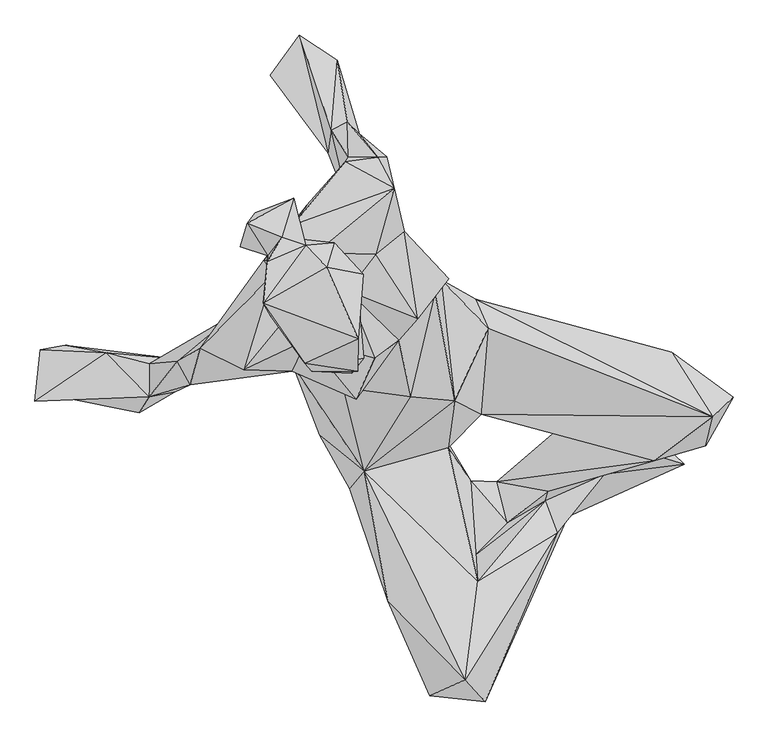
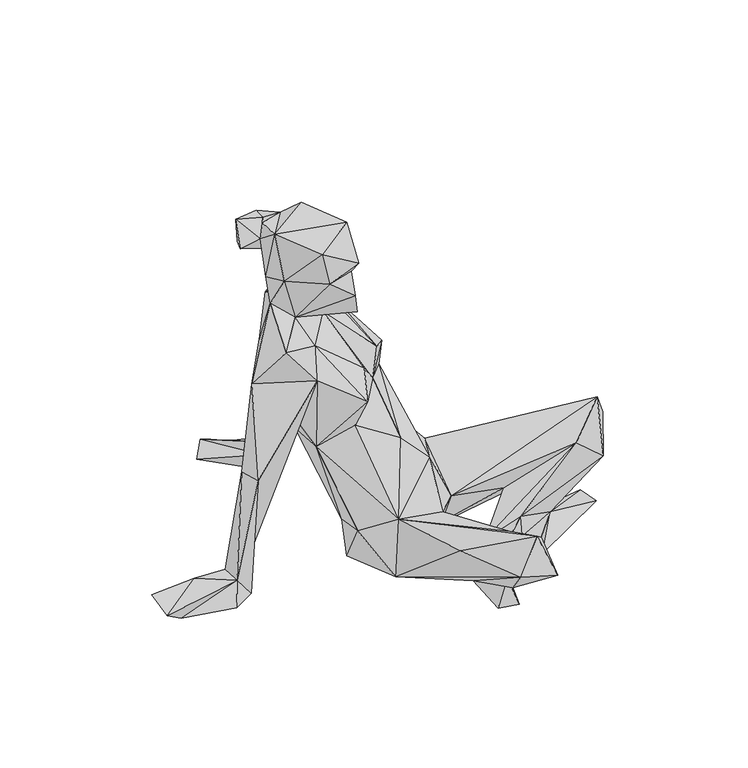
"""IFC4 building model written with IfcOpenShell, lengths in millimetres: geographic element geometry."""

from ifc_helpers import new_model, si_unit, origin, place, context, project, spatial, faceted_brep, source, transform, mapped, element, save


def geographic_element_a124c430(model_context):
    return source(origin(), model_context, "Body", "Brep", [
        faceted_brep([(-200.7680511, 114.9147288, 289.5180845), (-46.0071186, 140.015362, 142.5736529), (-149.3064147, 10.5150862, 103.7554132), (-158.9337866, 165.9090051, 284.4859326), (25.4961994, 163.659809, 251.7382769), (-55.0615706, 238.2744819, 311.1969194), (77.3629164, 134.25052, 135.6051398), (0.5294874, 145.0071317, 21.5940603), (16.2170173, 142.55373, 361.6478398), (45.9356563, -18.8024526, 210.8140413), (96.4604977, 90.8226956, 174.4329163), (372.6257934, 54.489828, 169.3391332), (434.8113781, -42.6505315, 242.5615012), (85.7970108, -39.2045337, 110.6089265), (424.1856284, -86.5797241, 123.864232), (465.1638212, -13.481817, 176.1213668), (346.5706365, -108.9212806, 196.6092562), (325.9454925, -24.2252738, 79.8407709), (122.105962, 65.5968852, 5.9293312), (186.2471379, -154.77526, 94.301461), (271.1321082, -129.5708253, 60.2539361), (197.5536173, -64.7931016, 108.0983417), (109.3322174, -140.6203491, 53.0773283), (124.6904343, -202.6070331, 75.2427792), (181.9662131, -169.0310815, 53.9438122), (74.5459711, -253.0434994, 82.3450227), (69.6577868, -139.1699595, 78.0861592), (25.7754788, -66.9390998, 26.9631144), (31.1146505, -224.7724654, 26.3832823), (80.0373768, -290.6840706, 175.361959), (35.6465685, -89.199147, 118.8341588), (-90.5578796, -124.8732492, 165.0554964), (199.9768292, -217.0834813, 73.6262119), (61.5277245, -438.7094324, 258.8219909), (46.9022313, -22.9634267, 32.8271906), (213.528407, -89.567392, 38.7221123), (358.8737801, -104.6943652, 71.0780686), (391.3332474, -114.4794286, 37.5791374), (215.7024416, -193.4282011, 12.0675292), (91.5654514, -471.9265045, 169.577209), (-55.1987954, -320.0378676, 190.3077936), (8.3286938, -462.9542174, 188.0602962), (28.5056528, -393.787558, 111.8699447), (-112.5869439, -151.2820702, 42.70276), (-89.4436378, -50.0926108, 7.7785052), (-157.4088018, -70.4504988, 126.1711552), (-160.567982, -29.736783, 38.9379742), (-197.488842, 33.4048155, 290.7437944), (-242.4453616, 193.3151162, 483.0884278), (-250.6826787, 58.7141618, 390.1399624), (-288.7377405, 110.0369529, 413.0097875), (-177.4144151, 276.080903, 463.4337666), (-112.7679558, 272.3410692, 360.2145568), (-197.3810768, 246.5129613, 556.9336346), (-119.4798634, 341.4665418, 503.7482915), (-45.4705277, 301.3815843, 571.1434413), (-164.1386131, 204.7317301, 597.4704549), (-203.8069789, 189.2880178, 592.781894), (-69.9870503, 348.5007839, 350.2418952), (-114.4380555, 348.4182315, 274.6393349), (-73.4411767, 202.2372161, 536.4124709), (-30.4991655, 236.5793259, 484.261477), (-98.2281405, 384.0374601, 4.8307399), (-116.1741004, 401.6074191, 65.0324441), (-56.9306121, 349.1281228, 229.9506338), (-140.3911841, 389.2490816, 68.1931145), (-131.583689, 494.6735142, 4.8307399), (-232.2346688, 472.2794534, 4.8307399), (-116.0821528, 355.5271284, 4.8307399), (-66.5099985, 262.6040843, 369.4951787), (-145.2003252, 354.3309824, 58.0896169), (-188.6632121, 532.6884919, 4.8307399), (36.4568415, 165.5102352, 399.7963916), (-9.9617046, 105.2950012, 437.8485924), (-39.0374395, 72.8001213, 387.0515179), (-20.6152925, -12.2931188, 279.2831029), (-122.1137553, 0.7183749, 339.8057478), (-102.9566439, -16.5839193, 402.4395893), (-199.3729, 25.7045568, 463.9989676), (-176.7964639, 73.0857393, 517.0065697), (-74.791505, 45.2675367, 440.2566796), (-115.5535117, 146.9566804, 536.9599991), (-272.5760605, 28.0033794, 560.5140259), (-202.9283022, 112.6570837, 575.0859905), (-228.5446645, 171.3936904, 584.0988683), (-338.0000848, 60.413032, 484.128648), (-231.3600601, 109.0465175, 678.745619), (-225.9089174, 194.7723156, 636.1612003), (-169.6792522, 26.0847208, 699.0136418), (-180.5998363, 38.1049807, 771.1920643), (-243.2209819, 127.9624238, 790.3922103), (-109.6136109, 23.1798009, 651.0255852), (-108.2416759, 42.0509795, 701.5021357), (-100.2006444, 26.0665227, 729.2228847), (-99.7537362, 75.0487587, 803.087463), (-91.7451668, 45.6282454, 590.1917146), (-101.6998353, 164.0720049, 673.9071524), (-124.468705, 120.8520144, 592.1099709), (-135.8930899, 219.1900137, 698.9955816), (-91.9076267, 172.2060272, 725.8975416), (-205.3903912, 227.1067621, 681.2383448), (-236.0980184, 199.7276222, 733.1636457), (-236.5365297, 191.1063916, 779.8297905), (-214.7979859, 227.7246536, 762.9470135), (-277.3213054, 213.2769797, 714.2525227), (-267.2185567, 248.9713102, 763.7751604), (-147.3082584, 182.750342, 804.83072), (-179.0329196, 215.5019912, 770.8587551), (-196.7394775, 286.2149144, 739.6925), (-255.0609378, 264.4032207, 693.7891159), (-414.3905588, 37.2476126, 52.2500494), (-372.3654999, 40.7935339, 283.8610376), (-376.920308, 44.4287093, 4.8307399), (-352.9276208, 5.5428864, 276.3630416), (-414.6238514, -12.6057852, 55.4097921), (-479.3549419, 53.9887764, 42.3694583), (-586.9997071, -19.4747706, 28.9359611), (-549.5294861, -12.2936357, 4.8307399), (-429.527337, -36.9392033, 4.8307399), (-377.1536304, -5.4246517, 4.8307399), (-541.5660076, 65.4201872, 4.8307399), (-579.0362883, 58.2390867, 32.3278118), (117.3873306, -204.7855829, 23.0128054), (37.8347407, -318.3320423, 10.219138), (67.2875485, -303.2894097, 69.3580947), (181.9662131, -169.0310815, 53.9438122), (360.0197092, -83.9212452, 7.1573424), (115.7559068, -218.5737464, 65.6664959), (72.461634, -345.3610497, 24.9143612)], [[[0, 1, 2]], [[3, 1, 0]], [[4, 1, 5]], [[6, 7, 1]], [[7, 2, 1]], [[3, 5, 1]], [[4, 6, 1]], [[5, 8, 4]], [[9, 4, 8]], [[9, 10, 4]], [[10, 6, 4]], [[11, 7, 6]], [[6, 12, 11]], [[10, 12, 6]], [[13, 12, 10]], [[13, 10, 9]], [[12, 14, 15]], [[12, 13, 16]], [[14, 12, 16]], [[12, 15, 11]], [[17, 18, 11]], [[7, 11, 18]], [[15, 17, 11]], [[15, 14, 17]], [[14, 16, 19]], [[20, 14, 19]], [[20, 17, 14]], [[13, 21, 16]], [[22, 19, 16]], [[21, 22, 16]], [[23, 19, 22]], [[20, 19, 24]], [[23, 24, 19]], [[25, 23, 26]], [[22, 26, 23]], [[25, 24, 23]], [[27, 26, 28]], [[29, 26, 30]], [[26, 29, 25]], [[26, 27, 30]], [[28, 26, 22]], [[24, 25, 29]], [[30, 31, 29]], [[29, 32, 24]], [[29, 33, 32]], [[33, 29, 31]], [[30, 27, 13]], [[9, 31, 30]], [[9, 30, 13]], [[34, 21, 13]], [[27, 34, 13]], [[17, 21, 34]], [[17, 35, 21]], [[35, 22, 21]], [[17, 34, 18]], [[7, 18, 34]], [[34, 27, 7]], [[20, 35, 17]], [[32, 20, 24]], [[35, 20, 36]], [[37, 20, 38]], [[20, 32, 38]], [[20, 37, 36]], [[39, 32, 33]], [[39, 38, 32]], [[40, 33, 31]], [[33, 41, 39]], [[41, 33, 40]], [[38, 39, 42]], [[39, 41, 42]], [[28, 41, 43]], [[42, 41, 28]], [[40, 43, 41]], [[40, 31, 43]], [[28, 43, 44]], [[45, 46, 43]], [[31, 45, 43]], [[43, 46, 44]], [[7, 27, 44]], [[27, 28, 44]], [[7, 44, 46]], [[7, 46, 2]], [[46, 45, 2]], [[45, 47, 2]], [[45, 31, 47]], [[0, 2, 47]], [[3, 0, 48]], [[0, 47, 49]], [[50, 48, 0]], [[49, 50, 0]], [[48, 51, 3]], [[3, 51, 52]], [[3, 52, 5]], [[48, 53, 51]], [[53, 54, 51]], [[54, 52, 51]], [[55, 54, 53]], [[56, 55, 53]], [[57, 53, 48]], [[53, 57, 56]], [[54, 55, 58]], [[58, 59, 54]], [[52, 54, 59]], [[56, 60, 55]], [[55, 60, 61]], [[61, 58, 55]], [[58, 62, 63]], [[63, 59, 58]], [[58, 61, 64]], [[62, 58, 64]], [[65, 52, 59]], [[59, 63, 65]], [[66, 63, 62]], [[66, 65, 63]], [[62, 67, 66]], [[64, 68, 62]], [[67, 62, 68]], [[69, 64, 61]], [[68, 64, 69]], [[69, 70, 68]], [[67, 68, 70]], [[70, 71, 67]], [[66, 67, 71]], [[65, 66, 71]], [[71, 70, 65]], [[52, 65, 70]], [[70, 69, 52]], [[69, 5, 52]], [[69, 61, 5]], [[5, 61, 72]], [[5, 72, 8]], [[61, 73, 72]], [[73, 61, 60]], [[74, 72, 73]], [[74, 8, 72]], [[75, 9, 8]], [[8, 74, 75]], [[31, 9, 75]], [[76, 31, 75]], [[75, 74, 76]], [[47, 31, 76]], [[77, 47, 76]], [[77, 76, 74]], [[49, 47, 78]], [[78, 47, 77]], [[79, 77, 80]], [[79, 78, 77]], [[74, 80, 77]], [[81, 79, 80]], [[81, 80, 74]], [[78, 79, 82]], [[83, 79, 81]], [[83, 82, 79]], [[82, 84, 85]], [[85, 78, 82]], [[82, 83, 84]], [[83, 86, 84]], [[48, 85, 84]], [[86, 87, 84]], [[48, 84, 57]], [[57, 84, 87]], [[83, 88, 86]], [[86, 88, 89]], [[89, 90, 86]], [[87, 86, 90]], [[88, 83, 91]], [[88, 91, 92]], [[93, 89, 88]], [[92, 93, 88]], [[94, 90, 89]], [[94, 89, 93]], [[92, 94, 93]], [[92, 95, 96]], [[96, 94, 92]], [[91, 95, 92]], [[95, 91, 83]], [[83, 97, 95]], [[97, 96, 95]], [[83, 81, 97]], [[96, 97, 81]], [[81, 56, 96]], [[96, 56, 98]], [[96, 99, 94]], [[98, 99, 96]], [[56, 81, 60]], [[81, 74, 73]], [[81, 73, 60]], [[98, 56, 87]], [[57, 87, 56]], [[98, 87, 100]], [[87, 101, 100]], [[90, 101, 87]], [[102, 103, 101]], [[90, 102, 101]], [[104, 101, 105]], [[104, 100, 101]], [[103, 105, 101]], [[94, 106, 90]], [[107, 102, 90]], [[107, 90, 106]], [[107, 103, 102]], [[103, 108, 105]], [[103, 107, 108]], [[109, 105, 108]], [[104, 105, 109]], [[104, 109, 100]], [[108, 100, 109]], [[107, 100, 108]], [[98, 100, 107]], [[98, 107, 106]], [[106, 94, 99]], [[106, 99, 98]], [[85, 48, 50]], [[110, 111, 50]], [[50, 112, 110]], [[112, 50, 49]], [[85, 50, 111]], [[78, 85, 113]], [[85, 111, 113]], [[111, 110, 114]], [[114, 113, 111]], [[114, 110, 115]], [[110, 112, 115]], [[115, 116, 114]], [[114, 117, 118]], [[113, 114, 119]], [[114, 118, 119]], [[117, 114, 116]], [[113, 112, 78]], [[112, 113, 119]], [[112, 49, 78]], [[117, 112, 118]], [[120, 115, 112]], [[112, 117, 120]], [[118, 112, 119]], [[116, 115, 121]], [[115, 120, 121]], [[121, 117, 116]], [[117, 121, 120]], [[22, 122, 28]], [[28, 122, 123]], [[28, 123, 124]], [[28, 124, 42]], [[22, 35, 125]], [[22, 125, 122]], [[126, 38, 35]], [[35, 38, 125]], [[35, 36, 126]], [[125, 127, 122]], [[38, 127, 125]], [[38, 124, 127]], [[126, 37, 38]], [[38, 42, 124]], [[37, 126, 36]], [[124, 128, 122]], [[127, 124, 122]], [[124, 123, 128]], [[122, 128, 123]]]),
    ])


if __name__ == "__main__":
    model = new_model("IFC4")
    model_context = context("Model", 3, world=origin())
    ifc_project = project(units=[si_unit("LENGTHUNIT", "METRE", prefix="MILLI")], contexts=[model_context])
    site = spatial("IfcSite", under=ifc_project)
    building = spatial("IfcBuilding", under=site)
    placement = place(None, origin())
    geographic_element_shape = geographic_element_a124c430(model_context)
    element("IfcGeographicElement", 1, at=placement, inside=building, context=model_context, shape_type="MappedRepresentation", body=[
        mapped(geographic_element_shape, transform((0.0, 0.0, 0.0), x_axis=(1.0, 0.0, 0.0), y_axis=(0.0, 1.0, 0.0), z_axis=(0.0, 0.0, 1.0))),
    ])
    save(model, "model.ifc")
